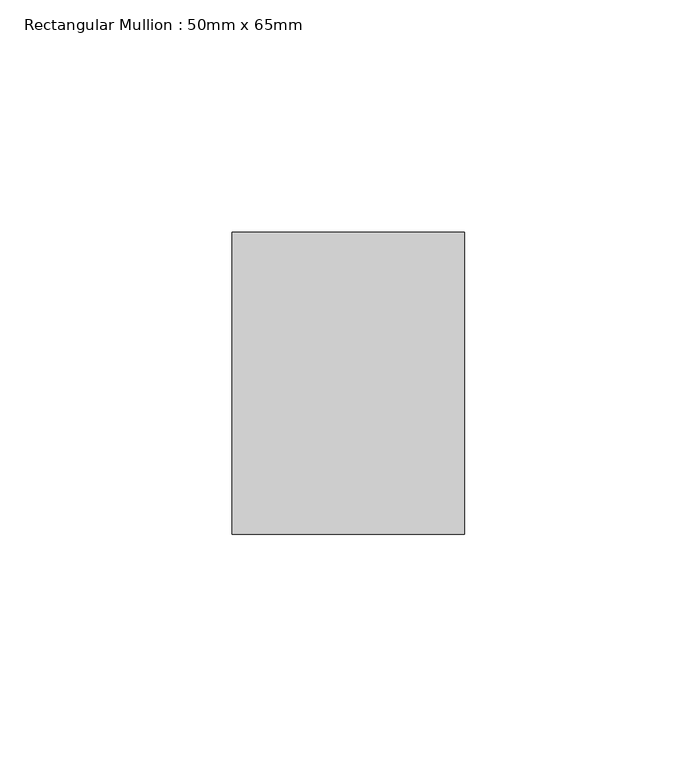
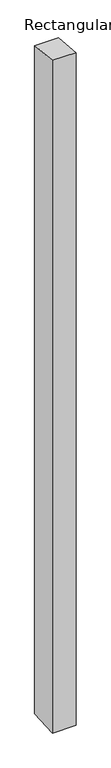
"""IFC4 building model written with IfcOpenShell, lengths in millimetres: member geometry, Rectangular Mullion : 50mm x 65mm."""

from ifc_helpers import new_model, si_unit, frame, origin, place, context, project, spatial, polyline, outline, extrude, source, transform, mapped, element, save


def rectangular_mullion_50mm_x_65mm_f25092d0(model_context):
    return source(origin(), model_context, "Body", "SweptSolid", [
        extrude(outline(polyline([(-32.5, 3.146935), (32.5, -3.1469348), (32.5, -1497.8334542), (-32.5, -1502.165408), (-32.5, 3.146935)])), frame((-25.0, 0.0, 0.0), z_axis=(1.0, 0.0, 0.0), x_axis=(0.0, 1.0, 0.0)), (0.0, 0.0, 1.0), 50.0),
    ])


if __name__ == "__main__":
    model = new_model("IFC4")
    model_context = context("Model", 3, world=origin())
    ifc_project = project(units=[si_unit("LENGTHUNIT", "METRE", prefix="MILLI")], contexts=[model_context])
    site = spatial("IfcSite", under=ifc_project)
    building = spatial("IfcBuilding", under=site)
    placement = place(None, origin())
    rectangular_mullion_50mm_x_65mm_shape = rectangular_mullion_50mm_x_65mm_f25092d0(model_context)
    element("IfcMember", 1, ObjectType="Rectangular Mullion : 50mm x 65mm", at=placement, inside=building, context=model_context, shape_type="MappedRepresentation", body=[
        mapped(rectangular_mullion_50mm_x_65mm_shape, transform((0.0, 0.0, 0.0), x_axis=(1.0, 0.0, 0.0), y_axis=(0.0, 1.0, 0.0), z_axis=(0.0, 0.0, 1.0))),
    ])
    save(model, "model.ifc")
